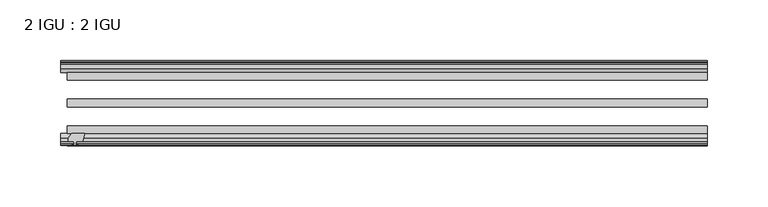
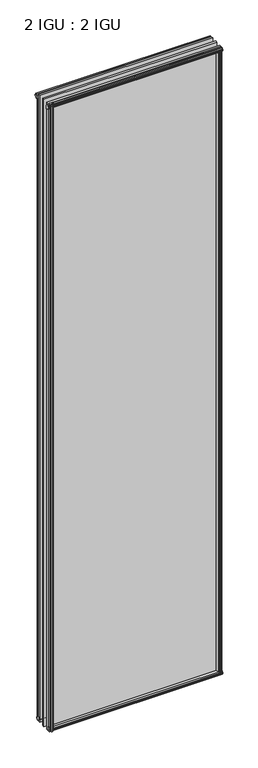
"""IFC4 building model written with IfcOpenShell, lengths in millimetres: plate geometry, 2 IGU : 2 IGU."""

from ifc_helpers import new_model, si_unit, frame, origin, origin_with_axes, place, context, project, spatial, polyline, outline, extrude, source, transform, mapped, element, save


def plate_2_igu_2_igu_a2365d6e(model_context):
    return source(origin(), model_context, "Body", "SweptSolid", [
        extrude(outline(polyline([(-248.8363471, -69.9960936), (-250.5540651, -76.3460936), (-255.7610651, -76.3460936), (-256.1420651, -78.7262905), (-254.7265361, -78.2663573), (-254.7265361, -79.0675715), (-256.9040651, -79.7750936), (-259.0815942, -79.0675715), (-259.0815942, -78.2663573), (-257.6660651, -78.7262905), (-258.0470651, -76.3460936), (-262.4920651, -76.3460936), (-262.4920651, -73.3996936), (-259.657723, -69.9960936), (-248.8363471, -69.9960936)])), frame((0.0, 0.0, -12.303125), z_axis=(0.0, 0.0, 1.0), x_axis=(1.0, 0.0, 0.0)), (0.0, 0.0, 1.0), 2018.661825),
        extrude(outline(polyline([(255.2472361, -10.4746158), (257.4247651, -9.7670937), (259.6022942, -10.4746158), (259.6022942, -11.27583), (258.1867651, -10.8158968), (258.5677651, -13.1960937), (263.0127651, -13.1960937), (263.0127651, -16.1424937), (260.178423, -19.5460937), (249.3570471, -19.5460937), (251.0747651, -13.1960937), (256.2817651, -13.1960937), (256.6627651, -10.8158968), (255.2472361, -11.27583), (255.2472361, -10.4746158)])), origin_with_axes(), (0.0, 0.0, 1.0), 1993.9),
        extrude(outline(polyline([(-19.5460937, 1.5938931), (-13.1960937, -0.123825), (-13.1960937, -5.330825), (-10.8158968, -5.711825), (-11.27583, -4.2962959), (-10.4746158, -4.2962959), (-9.7670937, -6.473825), (-10.4746158, -8.6513541), (-11.27583, -8.6513541), (-10.8158968, -7.235825), (-13.1960937, -7.616825), (-13.1960937, -12.061825), (-16.1424937, -12.061825), (-19.5460937, -9.2274828), (-19.5460937, 1.5938931)])), frame((-263.2540651, 0.0, 0.0), z_axis=(1.0, 0.0, 0.0), x_axis=(0.0, 1.0, 0.0)), (0.0, 0.0, 1.0), 526.5081303),
        extrude(outline(polyline([(-69.9960936, 2.1145931), (-69.9960936, -8.7067828), (-73.3996936, -11.541125), (-76.3460936, -11.541125), (-76.3460936, -7.096125), (-78.7262905, -6.715125), (-78.2663573, -8.1306541), (-79.0675715, -8.1306541), (-79.7750936, -5.953125), (-79.0675715, -3.7755959), (-78.2663573, -3.7755959), (-78.7262905, -5.191125), (-76.3460936, -4.810125), (-76.3460936, 0.396875), (-69.9960936, 2.1145931)])), frame((-263.2540651, 0.0, 0.0), z_axis=(1.0, 0.0, 0.0), x_axis=(0.0, 1.0, 0.0)), (0.0, 0.0, 1.0), 526.5081303),
        extrude(outline(polyline([(-10.8158968, 2001.5327), (-11.27583, 2002.9482291), (-10.4746158, 2002.9482291), (-9.7670937, 2000.7707), (-10.4746158, 1998.5931709), (-11.27583, 1998.5931709), (-10.8158968, 2000.0087), (-13.1960937, 1999.6277), (-13.1960937, 1994.4207), (-19.5460937, 1992.7029819), (-19.5460937, 2003.5243578), (-16.1424937, 2006.3587), (-13.1960937, 2006.3587), (-13.1960937, 2001.9137), (-10.8158968, 2001.5327)])), frame((-268.600171, 0.0, 0.0), z_axis=(1.0, 0.0, 0.0), x_axis=(0.0, 1.0, 0.0)), (0.0, 0.0, 1.0), 531.8542362),
        extrude(outline(polyline([(-76.3460936, 2005.838), (-73.3996936, 2005.838), (-69.9960936, 2003.0036578), (-69.9960936, 1992.1822819), (-76.3460936, 1993.9), (-76.3460936, 1999.107), (-78.7262905, 1999.488), (-78.2663573, 1998.0724709), (-79.0675715, 1998.0724709), (-79.7750936, 2000.25), (-79.0675715, 2002.4275291), (-78.2663573, 2002.4275291), (-78.7262905, 2001.012), (-76.3460936, 2001.393), (-76.3460936, 2005.838)])), frame((-268.600171, 0.0, 0.0), z_axis=(1.0, 0.0, 0.0), x_axis=(0.0, 1.0, 0.0)), (0.0, 0.0, 1.0), 531.8542362),
        extrude(outline(polyline([(248.8363471, -69.9960936), (259.657723, -69.9960936), (262.4920651, -73.3996936), (262.4920651, -76.3460936), (258.0470651, -76.3460936), (257.6660651, -78.7262905), (259.0815942, -78.2663573), (259.0815942, -79.0675715), (256.9040651, -79.7750936), (254.7265361, -79.0675715), (254.7265361, -78.2663573), (256.1420651, -78.7262905), (255.7610651, -76.3460936), (250.5540651, -76.3460936), (248.8363471, -69.9960936)])), origin_with_axes(), (0.0, 0.0, 1.0), 1993.9),
        extrude(outline(polyline([(-257.4247651, -9.7670937), (-255.2472361, -10.4746158), (-255.2472361, -11.27583), (-256.6627651, -10.8158968), (-256.2817651, -13.1960937), (-251.0747651, -13.1960937), (-249.3570471, -19.5460937), (-260.178423, -19.5460937), (-263.0127651, -16.1424937), (-263.0127651, -13.1960937), (-258.5677651, -13.1960937), (-258.1867651, -10.8158968), (-259.6022942, -11.27583), (-259.6022942, -10.4746158), (-257.4247651, -9.7670937)])), origin_with_axes(), (0.0, 0.0, 1.0), 1993.9),
        extrude(outline(polyline([(263.2540651, -19.5460937), (263.2540651, -25.8960937), (-263.2540651, -25.8960937), (-263.2540651, -19.5460937), (263.2540651, -19.5460937)])), frame((0.0, 0.0, -12.303125), z_axis=(0.0, 0.0, 1.0), x_axis=(1.0, 0.0, 0.0)), (0.0, 0.0, 1.0), 2018.903125),
        extrude(outline(polyline([(-263.2540651, -41.5960937), (263.2540651, -41.5960937), (263.2540651, -47.9460937), (-263.2540651, -47.9460937), (-263.2540651, -41.5960937)])), frame((0.0, 0.0, -12.303125), z_axis=(0.0, 0.0, 1.0), x_axis=(1.0, 0.0, 0.0)), (0.0, 0.0, 1.0), 2018.903125),
        extrude(outline(polyline([(263.2540651, -63.6460936), (263.2540651, -69.9960936), (-263.2540651, -69.9960936), (-263.2540651, -63.6460936), (263.2540651, -63.6460936)])), frame((0.0, 0.0, -12.303125), z_axis=(0.0, 0.0, 1.0), x_axis=(1.0, 0.0, 0.0)), (0.0, 0.0, 1.0), 2018.903125),
    ])


if __name__ == "__main__":
    model = new_model("IFC4")
    model_context = context("Model", 3, world=origin())
    ifc_project = project(units=[si_unit("LENGTHUNIT", "METRE", prefix="MILLI")], contexts=[model_context])
    site = spatial("IfcSite", under=ifc_project)
    building = spatial("IfcBuilding", under=site)
    placement = place(None, origin())
    plate_2_igu_2_igu_shape = plate_2_igu_2_igu_a2365d6e(model_context)
    element("IfcPlate", 1, ObjectType="2 IGU : 2 IGU", at=placement, inside=building, context=model_context, shape_type="MappedRepresentation", body=[
        mapped(plate_2_igu_2_igu_shape, transform((0.0, 0.0, 0.0), x_axis=(1.0, 0.0, 0.0), y_axis=(0.0, 1.0, 0.0), z_axis=(0.0, 0.0, 1.0))),
    ])
    save(model, "model.ifc")
